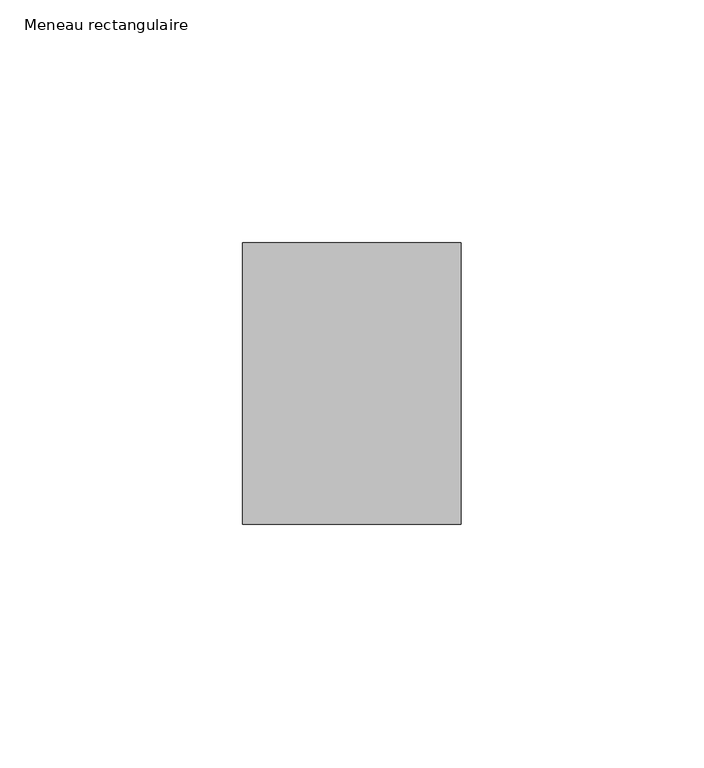
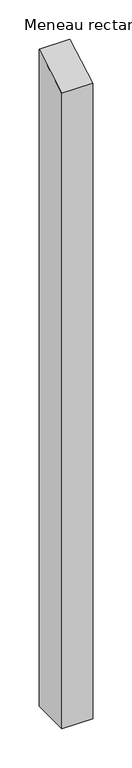
"""IFC4 building model written with IfcOpenShell, lengths in millimetres: member geometry, Meneau rectangulaire."""

from ifc_helpers import new_model, si_unit, frame, origin, place, context, project, spatial, polyline, outline, extrude, source, transform, mapped, element, save


def meneau_rectangulaire_f3ed99d2(model_context):
    return source(origin(), model_context, "Body", "SweptSolid", [
        extrude(outline(polyline([(-29.0, -16.7431578), (29.0, 16.7431578), (29.0, -1005.0040494), (-29.0, -1005.0040494), (-29.0, -16.7431578)])), frame((-45.0, 0.0, 0.0), z_axis=(1.0, 0.0, 0.0), x_axis=(0.0, 1.0, 0.0)), (0.0, 0.0, 1.0), 45.0),
    ])


if __name__ == "__main__":
    model = new_model("IFC4")
    model_context = context("Model", 3, world=origin())
    ifc_project = project(units=[si_unit("LENGTHUNIT", "METRE", prefix="MILLI")], contexts=[model_context])
    site = spatial("IfcSite", under=ifc_project)
    building = spatial("IfcBuilding", under=site)
    placement = place(None, origin())
    meneau_rectangulaire_shape = meneau_rectangulaire_f3ed99d2(model_context)
    element("IfcMember", 1, ObjectType="Meneau rectangulaire", at=placement, inside=building, context=model_context, shape_type="MappedRepresentation", body=[
        mapped(meneau_rectangulaire_shape, transform((0.0, 0.0, 0.0), x_axis=(1.0, 0.0, 0.0), y_axis=(0.0, 1.0, 0.0), z_axis=(0.0, 0.0, 1.0))),
    ])
    save(model, "model.ifc")
